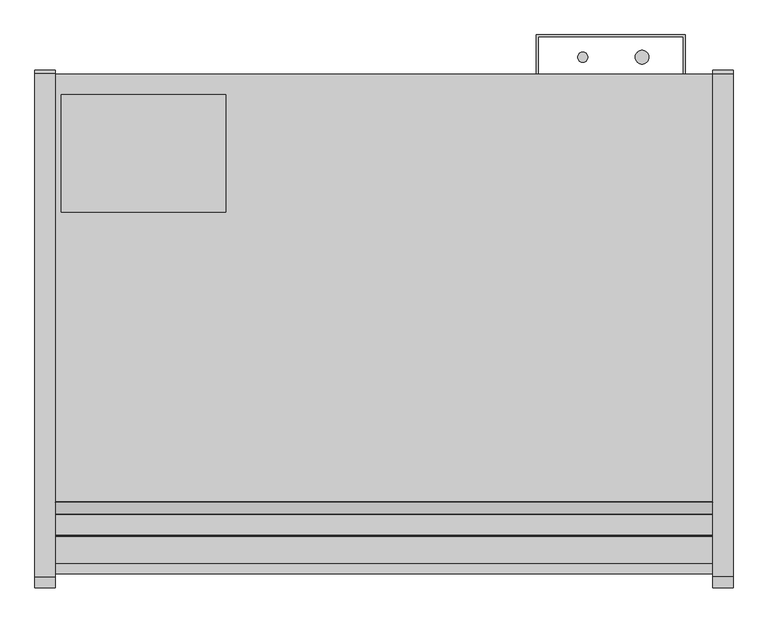
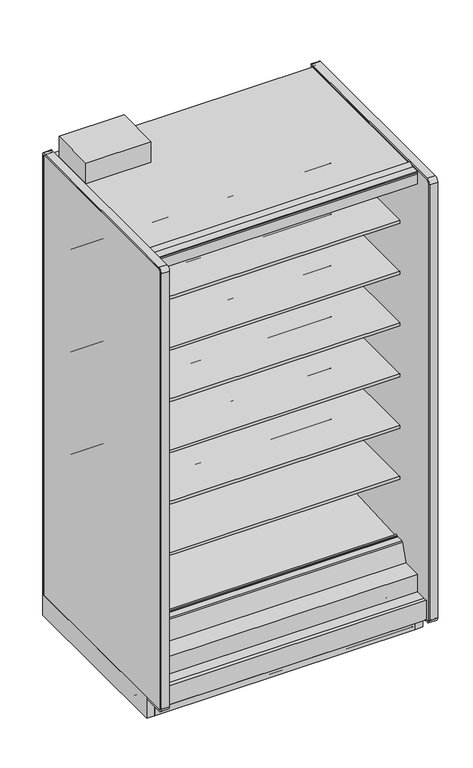
"""IFC4 building model written with IfcOpenShell, lengths in millimetres: proxy geometry."""

from ifc_helpers import new_model, si_unit, point, frame, frame_2d, origin, origin_with_axes, place, context, project, spatial, polyline, circle_curve, trimmed, segment, composite_curve, outline, extrude, source, transform, mapped, element, save
from ifc_brep_helpers import plane_surface, cylinder_surface, revolved_surface, advanced_brep


def mechanical_equipment_c68cd232(model_context):
    return source(origin(), model_context, "Body", "SolidModel", [
        extrude(outline(polyline([(1219.2, -1167.5349267), (1219.2, -1183.4099267), (0.0, -1183.4099267), (0.0, -1167.5349267), (1219.2, -1167.5349267)])), origin_with_axes(), (0.0, 0.0, 1.0), 105.16235),
        extrude(outline(polyline([(315.9000882, -386.7007273), (315.9000882, -605.1295388), (11.1115648, -605.1295388), (11.1115648, -386.7007273), (315.9000882, -386.7007273)])), frame((0.0, 0.0, 2282.825), z_axis=(0.0, 0.0, 1.0), x_axis=(1.0, 0.0, 0.0)), (0.0, 0.0, 1.0), 101.6),
        extrude(outline(composite_curve([segment(trimmed(circle_curve(frame_2d((1088.3930803, -317.2571273)), 12.7), [point((1075.6930803, -317.2571273))], [point((1101.0930803, -317.2571273))], False, "CARTESIAN"), True, "CONTINUOUS"), segment(trimmed(circle_curve(frame_2d((1088.3930803, -317.2571273)), 12.7), [point((1101.0930803, -317.2571273))], [point((1075.6930803, -317.2571273))], False, "CARTESIAN"), True, "CONTINUOUS")], self_intersect=False)), frame((0.0, 0.0, 1447.6965458), z_axis=(0.0, 0.0, 1.0), x_axis=(1.0, 0.0, 0.0)), (0.0, 0.0, 1.0), 508.0),
        extrude(outline(composite_curve([segment(trimmed(circle_curve(frame_2d((978.4004524, -317.2571273)), 9.525), [point((968.8754524, -317.2571273))], [point((987.9254524, -317.2571273))], False, "CARTESIAN"), True, "CONTINUOUS"), segment(trimmed(circle_curve(frame_2d((978.4004524, -317.2571273)), 9.525), [point((987.9254524, -317.2571273))], [point((968.8754524, -317.2571273))], False, "CARTESIAN"), True, "CONTINUOUS")], self_intersect=False)), frame((0.0, 0.0, 1447.6965458), z_axis=(0.0, 0.0, 1.0), x_axis=(1.0, 0.0, 0.0)), (0.0, 0.0, 1.0), 508.0),
        extrude(outline(composite_curve([segment(trimmed(circle_curve(frame_2d((1080.0004524, -526.8071273)), 9.525), [point((1070.4754524, -526.8071273))], [point((1089.5254524, -526.8071273))], False, "CARTESIAN"), True, "CONTINUOUS"), segment(trimmed(circle_curve(frame_2d((1080.0004524, -526.8071273)), 9.525), [point((1089.5254524, -526.8071273))], [point((1070.4754524, -526.8071273))], False, "CARTESIAN"), True, "CONTINUOUS")], self_intersect=False)), frame((0.0, 0.0, 57.8450688), z_axis=(0.0, 0.0, 1.0), x_axis=(1.0, 0.0, 0.0)), (0.0, 0.0, 1.0), 47.3172812),
        extrude(outline(composite_curve([segment(trimmed(circle_curve(frame_2d((1126.4930803, -526.8071273)), 12.7), [point((1113.7930803, -526.8071273))], [point((1139.1930803, -526.8071273))], False, "CARTESIAN"), True, "CONTINUOUS"), segment(trimmed(circle_curve(frame_2d((1126.4930803, -526.8071273)), 12.7), [point((1139.1930803, -526.8071273))], [point((1113.7930803, -526.8071273))], False, "CARTESIAN"), True, "CONTINUOUS")], self_intersect=False)), frame((0.0, 0.0, 57.8450688), z_axis=(0.0, 0.0, 1.0), x_axis=(1.0, 0.0, 0.0)), (0.0, 0.0, 1.0), 47.3172812),
        extrude(outline(composite_curve([segment(trimmed(circle_curve(frame_2d((609.6, -945.9071273)), 38.1), [point((571.5, -945.9071273))], [point((647.7, -945.9071273))], False, "CARTESIAN"), True, "CONTINUOUS"), segment(trimmed(circle_curve(frame_2d((609.6, -945.9071273)), 38.1), [point((647.7, -945.9071273))], [point((571.5, -945.9071273))], False, "CARTESIAN"), True, "CONTINUOUS")], self_intersect=False)), frame((0.0, 0.0, 57.8450688), z_axis=(0.0, 0.0, 1.0), x_axis=(1.0, 0.0, 0.0)), (0.0, 0.0, 1.0), 47.3172812),
        extrude(outline(polyline([(114.3, -411.7999572), (114.3, -462.5999572), (0.0, -462.5999572), (0.0, -411.7999572), (114.3, -411.7999572)])), frame((0.0, 0.0, 63.88735), z_axis=(0.0, 0.0, 1.0), x_axis=(1.0, 0.0, 0.0)), (0.0, 0.0, 1.0), 6.35),
        extrude(outline(polyline([(-349.0071273, 2231.5678), (-349.0071273, 105.16235), (-1256.6126273, 105.16235), (-1256.6126273, 201.2447768), (-1205.5205047, 201.2447768), (-1205.5205047, 169.3369447), (-1112.6665508, 150.0632248), (-401.0517273, 187.3573774), (-401.0517273, 2231.5678), (-349.0071273, 2231.5678)])), frame((0.0, 0.0, 0.0), z_axis=(1.0, 0.0, 0.0), x_axis=(0.0, 1.0, 0.0)), (0.0, 0.0, 1.0), 1219.2),
        advanced_brep(
        [(1219.2, -1018.871097, 105.16235), (1219.2, -1022.1071273, 101.9263197), (1219.2, -1022.1071273, 2.3876), (1219.2, -1019.7195273, 0.0), (1219.2, -982.0132273, 0.0), (1219.2, -982.0132273, 70.23735), (1219.2, -383.2457368, 70.23735), (1219.2, -383.2457368, 0.0), (1219.2, -351.3947273, 0.0), (1219.2, -349.0071273, 2.3876), (1219.2, -349.0071273, 100.830191), (1219.2, -353.3392863, 105.16235), (0.0, -1018.871097, 105.16235), (0.0, -353.3392863, 105.16235), (0.0, -349.0071273, 100.830191), (0.0, -349.0071273, 2.3876), (0.0, -351.3947273, 0.0), (0.0, -383.2457368, 0.0), (0.0, -383.2457368, 70.23735), (0.0, -982.0132273, 70.23735), (0.0, -982.0132273, 0.0), (0.0, -1019.7195273, 0.0), (0.0, -1022.1071273, 2.3876), (0.0, -1022.1071273, 101.9263197), (660.4, -945.9071273, 105.16235), (558.8, -945.9071273, 105.16235), (1155.7, -526.8071273, 105.16235), (1054.1, -526.8071273, 105.16235), (573.8650095, -982.0132273, 70.23735), (645.3349905, -982.0132273, 70.23735), (660.4, -945.9071273, 70.23735), (558.8, -945.9071273, 70.23735), (1054.1, -526.8071273, 70.23735), (1155.7, -526.8071273, 70.23735)],
        [
            (0, 1, circle_curve(frame((1219.2, -1018.871097, 101.9263197), z_axis=(1.0, 0.0, 0.0), x_axis=(0.0, 1.0, 0.0)), 3.2360303)),
            (1, 2),
            (2, 3, circle_curve(frame((1219.2, -1019.7195273, 2.3876), z_axis=(1.0, 0.0, 0.0), x_axis=(0.0, 1.0, 0.0)), 2.3876)),
            (3, 4),
            (4, 5),
            (5, 6),
            (6, 7),
            (7, 8),
            (8, 9, circle_curve(frame((1219.2, -351.3947273, 2.3876), z_axis=(1.0, 0.0, 0.0), x_axis=(0.0, 1.0, 0.0)), 2.3876)),
            (9, 10),
            (10, 11, circle_curve(frame((1219.2, -353.3392863, 100.830191), z_axis=(1.0, 0.0, 0.0), x_axis=(0.0, 1.0, 0.0)), 4.332159)),
            (11, 0),
            (12, 13),
            (13, 14, circle_curve(frame((0.0, -353.3392863, 100.830191), z_axis=(-1.0, 0.0, 0.0), x_axis=(0.0, 1.0, 0.0)), 4.332159)),
            (14, 15),
            (15, 16, circle_curve(frame((0.0, -351.3947273, 2.3876), z_axis=(-1.0, 0.0, 0.0), x_axis=(0.0, 1.0, 0.0)), 2.3876)),
            (16, 17),
            (17, 18),
            (18, 19),
            (19, 20),
            (20, 21),
            (21, 22, circle_curve(frame((0.0, -1019.7195273, 2.3876), z_axis=(-1.0, 0.0, 0.0), x_axis=(0.0, 1.0, 0.0)), 2.3876)),
            (22, 23),
            (23, 12, circle_curve(frame((0.0, -1018.871097, 101.9263197), z_axis=(-1.0, 0.0, 0.0), x_axis=(0.0, 1.0, 0.0)), 3.2360303)),
            (10, 14),
            (13, 11),
            (12, 0),
            (24, 25, circle_curve(frame((609.6, -945.9071273, 105.16235), z_axis=(0.0, 0.0, -1.0), x_axis=(1.0, 0.0, 0.0)), 50.8)),
            (25, 24, circle_curve(frame((609.6, -945.9071273, 105.16235), z_axis=(0.0, 0.0, -1.0), x_axis=(1.0, 0.0, 0.0)), 50.8)),
            (26, 27, circle_curve(frame((1104.9, -526.8071273, 105.16235), z_axis=(0.0, 0.0, -1.0), x_axis=(1.0, 0.0, 0.0)), 50.8)),
            (27, 26, circle_curve(frame((1104.9, -526.8071273, 105.16235), z_axis=(0.0, 0.0, -1.0), x_axis=(1.0, 0.0, 0.0)), 50.8)),
            (23, 1),
            (22, 2),
            (21, 3),
            (20, 4),
            (19, 28),
            (28, 29),
            (29, 5),
            (29, 30, circle_curve(frame((609.6, -945.9071273, 70.23735), z_axis=(0.0, 0.0, 1.0), x_axis=(1.0, 0.0, 0.0)), 50.8)),
            (30, 31, circle_curve(frame((609.6, -945.9071273, 70.23735), z_axis=(0.0, 0.0, 1.0), x_axis=(1.0, 0.0, 0.0)), 50.8)),
            (31, 28, circle_curve(frame((609.6, -945.9071273, 70.23735), z_axis=(0.0, 0.0, 1.0), x_axis=(1.0, 0.0, 0.0)), 50.8)),
            (18, 6),
            (32, 33, circle_curve(frame((1104.9, -526.8071273, 70.23735), z_axis=(0.0, 0.0, 1.0), x_axis=(1.0, 0.0, 0.0)), 50.8)),
            (33, 32, circle_curve(frame((1104.9, -526.8071273, 70.23735), z_axis=(0.0, 0.0, 1.0), x_axis=(1.0, 0.0, 0.0)), 50.8)),
            (17, 7),
            (16, 8),
            (15, 9),
            (28, 29, circle_curve(frame((609.6, -945.9071273, 70.23735), z_axis=(0.0, 0.0, 1.0), x_axis=(1.0, 0.0, 0.0)), 50.8)),
            (24, 30),
            (31, 25),
            (32, 27),
            (26, 33),
        ],
        [
            plane_surface(frame((1219.2, -1015.6350667, 101.9263197), z_axis=(1.0, 0.0, 0.0), x_axis=(0.0, 0.0, 1.0))),
            plane_surface(frame((0.0, -1015.6350667, 101.9263197), z_axis=(-1.0, 0.0, 0.0), x_axis=(0.0, 0.0, -1.0))),
            cylinder_surface(frame((0.0, -353.3392863, 100.830191), z_axis=(1.0, 0.0, 0.0), x_axis=(0.0, 1.0, 0.0)), 4.332159),
            plane_surface(frame((1219.2, -353.3392863, 105.16235), z_axis=(0.0, 0.0, 1.0), x_axis=(-1.0, 0.0, 0.0))),
            cylinder_surface(frame((0.0, -1018.871097, 101.9263197), z_axis=(1.0, 0.0, 0.0), x_axis=(0.0, 1.0, 0.0)), 3.2360303),
            plane_surface(frame((1219.2, -1022.1071273, 101.9263197), z_axis=(0.0, -1.0, 0.0), x_axis=(-1.0, 0.0, 0.0))),
            cylinder_surface(frame((0.0, -1019.7195273, 2.3876), z_axis=(1.0, 0.0, 0.0), x_axis=(0.0, 1.0, 0.0)), 2.3876),
            plane_surface(frame((1219.2, -1019.7195273, 0.0), z_axis=(0.0, 0.0, -1.0), x_axis=(-1.0, 0.0, 0.0))),
            plane_surface(frame((1219.2, -982.0132273, 0.0), z_axis=(0.0, 1.0, 0.0), x_axis=(-1.0, 0.0, 0.0))),
            plane_surface(frame((1219.2, -982.0132273, 70.23735), z_axis=(0.0, 0.0, -1.0), x_axis=(-1.0, 0.0, 0.0))),
            plane_surface(frame((1219.2, -383.2457368, 70.23735), z_axis=(0.0, -1.0, 0.0), x_axis=(-1.0, 0.0, 0.0))),
            plane_surface(frame((1219.2, -383.2457368, 0.0), z_axis=(0.0, 0.0, -1.0), x_axis=(-1.0, 0.0, 0.0))),
            cylinder_surface(frame((0.0, -351.3947273, 2.3876), z_axis=(1.0, 0.0, 0.0), x_axis=(0.0, 1.0, 0.0)), 2.3876),
            plane_surface(frame((660.4, -945.9071273, 70.23735), z_axis=(0.0, 0.0, 1.0), x_axis=(0.0, -1.0, 0.0))),
            revolved_surface(polyline([(660.4, -945.9071273, 105.16235), (660.4, -945.9071273, 70.23735)]), (609.6, -945.9071273, 70.23735), (0.0, 0.0, 1.0)),
            revolved_surface(polyline([(1155.7, -526.8071273, 105.16235), (1155.7, -526.8071273, 70.23735)]), (1104.9, -526.8071273, 0.0), (0.0, 0.0, 1.0)),
            plane_surface(frame((1219.2, -349.0071273, 2.3876), z_axis=(0.0, 1.0, 0.0), x_axis=(-1.0, 0.0, 0.0))),
        ],
        [
            (0, [[1, 2, 3, 4, 5, 6, 7, 8, 9, 10, 11, 12]]),
            (1, [[13, 14, 15, 16, 17, 18, 19, 20, 21, 22, 23, 24]]),
            (2, [[-11, 25, -14, 26]]),
            (3, [[-12, -26, -13, 27], [28, 29], [30, 31]]),
            (4, [[-1, -27, -24, 32]]),
            (5, [[-2, -32, -23, 33]]),
            (6, [[-3, -33, -22, 34]]),
            (7, [[-4, -34, -21, 35]]),
            (8, [[-5, -35, -20, 36, 37, 38]]),
            (9, [[-6, -38, 39, 40, 41, -36, -19, 42], [43, 44]]),
            (10, [[-7, -42, -18, 45]]),
            (11, [[-8, -45, -17, 46]]),
            (12, [[-9, -46, -16, 47]]),
            (13, [[48, -37]]),
            (14, [[49, -39, -48, -41, 50, -28]]),
            (14, [[-49, -29, -50, -40]]),
            (15, [[51, -30, 52, -43]]),
            (15, [[-51, -44, -52, -31]]),
            (16, [[-10, -47, -15, -25]]),
        ],
    ),
        extrude(outline(polyline([(892.175, -349.0071273), (892.175, -275.9821273), (1168.4, -275.9821273), (1168.4, -349.0071273), (1165.225, -349.0071273), (1165.225, -279.1571273), (895.35, -279.1571273), (895.35, -349.0071273), (892.175, -349.0071273)])), frame((0.0, 0.0, 304.927), z_axis=(0.0, 0.0, 1.0), x_axis=(1.0, 0.0, 0.0)), (0.0, 0.0, 1.0), 1523.3666145),
        extrude(outline(composite_curve([segment(polyline([(-452.3089273, 610.906076), (-470.5727913, 610.5955195)]), True, "CONTINUOUS"), segment(trimmed(circle_curve(frame_2d((-471.0046274, 635.9918483)), 25.4), [point((-470.5727913, 610.5955195))], [point((-486.9819836, 616.2463656))], False, "CARTESIAN"), True, "CONTINUOUS"), segment(polyline([(-486.9819836, 616.2463656), (-504.8340447, 630.6916311)]), True, "CONTINUOUS"), segment(trimmed(circle_curve(frame_2d((-544.7774354, 581.3279244)), 63.5), [point((-504.8340447, 630.6916311))], [point((-536.8795542, 644.3348563))], True, "CARTESIAN"), True, "CONTINUOUS"), segment(polyline([(-536.8795542, 644.3348563), (-751.3282218, 668.0319937), (-752.8169983, 671.4725458), (-1061.9089273, 671.4725458), (-1061.9089273, 685.6965458), (-452.3089273, 685.6965458), (-452.3089273, 610.906076)]), True, "CONTINUOUS")], self_intersect=False)), frame((0.0, 0.0, 0.0), z_axis=(1.0, 0.0, 0.0), x_axis=(0.0, 1.0, 0.0)), (0.0, 0.0, 1.0), 1219.2),
        extrude(outline(composite_curve([segment(polyline([(-452.3089273, 864.906076), (-470.5727913, 864.5955195)]), True, "CONTINUOUS"), segment(trimmed(circle_curve(frame_2d((-471.0046274, 889.9918483)), 25.4), [point((-470.5727913, 864.5955195))], [point((-486.9819836, 870.2463656))], False, "CARTESIAN"), True, "CONTINUOUS"), segment(polyline([(-486.9819836, 870.2463656), (-504.8340447, 884.6916311)]), True, "CONTINUOUS"), segment(trimmed(circle_curve(frame_2d((-544.7774354, 835.3279244)), 63.5), [point((-504.8340447, 884.6916311))], [point((-536.8795542, 898.3348563))], True, "CARTESIAN"), True, "CONTINUOUS"), segment(polyline([(-536.8795542, 898.3348563), (-751.3282218, 922.0319937), (-752.8169983, 925.4725458), (-1061.9089273, 925.4725458), (-1061.9089273, 939.6965458), (-452.3089273, 939.6965458), (-452.3089273, 864.906076)]), True, "CONTINUOUS")], self_intersect=False)), frame((0.0, 0.0, 0.0), z_axis=(1.0, 0.0, 0.0), x_axis=(0.0, 1.0, 0.0)), (0.0, 0.0, 1.0), 1219.2),
        extrude(outline(composite_curve([segment(polyline([(-452.3089273, 1118.906076), (-470.5727913, 1118.5955195)]), True, "CONTINUOUS"), segment(trimmed(circle_curve(frame_2d((-471.0046274, 1143.9918483)), 25.4), [point((-470.5727913, 1118.5955195))], [point((-486.9819836, 1124.2463656))], False, "CARTESIAN"), True, "CONTINUOUS"), segment(polyline([(-486.9819836, 1124.2463656), (-504.8340447, 1138.6916311)]), True, "CONTINUOUS"), segment(trimmed(circle_curve(frame_2d((-544.7774354, 1089.3279244)), 63.5), [point((-504.8340447, 1138.6916311))], [point((-536.8795542, 1152.3348563))], True, "CARTESIAN"), True, "CONTINUOUS"), segment(polyline([(-536.8795542, 1152.3348563), (-751.3282218, 1176.0319937), (-752.8169983, 1179.4725458), (-1061.9089273, 1179.4725458), (-1061.9089273, 1193.6965458), (-452.3089273, 1193.6965458), (-452.3089273, 1118.906076)]), True, "CONTINUOUS")], self_intersect=False)), frame((0.0, 0.0, 0.0), z_axis=(1.0, 0.0, 0.0), x_axis=(0.0, 1.0, 0.0)), (0.0, 0.0, 1.0), 1219.2),
        extrude(outline(composite_curve([segment(polyline([(-452.3089273, 1372.906076), (-470.5727913, 1372.5955195)]), True, "CONTINUOUS"), segment(trimmed(circle_curve(frame_2d((-471.0046274, 1397.9918483)), 25.4), [point((-470.5727913, 1372.5955195))], [point((-486.9819836, 1378.2463656))], False, "CARTESIAN"), True, "CONTINUOUS"), segment(polyline([(-486.9819836, 1378.2463656), (-504.8340447, 1392.6916311)]), True, "CONTINUOUS"), segment(trimmed(circle_curve(frame_2d((-544.7774354, 1343.3279244)), 63.5), [point((-504.8340447, 1392.6916311))], [point((-536.8795542, 1406.3348563))], True, "CARTESIAN"), True, "CONTINUOUS"), segment(polyline([(-536.8795542, 1406.3348563), (-751.3282218, 1430.0319937), (-752.8169983, 1433.4725458), (-1061.9089273, 1433.4725458), (-1061.9089273, 1447.6965458), (-452.3089273, 1447.6965458), (-452.3089273, 1372.906076)]), True, "CONTINUOUS")], self_intersect=False)), frame((0.0, 0.0, 0.0), z_axis=(1.0, 0.0, 0.0), x_axis=(0.0, 1.0, 0.0)), (0.0, 0.0, 1.0), 1219.2),
        extrude(outline(composite_curve([segment(polyline([(-452.3089273, 1626.906076), (-470.5727913, 1626.5955195)]), True, "CONTINUOUS"), segment(trimmed(circle_curve(frame_2d((-471.0046274, 1651.9918483)), 25.4), [point((-470.5727913, 1626.5955195))], [point((-486.9819836, 1632.2463656))], False, "CARTESIAN"), True, "CONTINUOUS"), segment(polyline([(-486.9819836, 1632.2463656), (-504.8340447, 1646.6916311)]), True, "CONTINUOUS"), segment(trimmed(circle_curve(frame_2d((-544.7774354, 1597.3279244)), 63.5), [point((-504.8340447, 1646.6916311))], [point((-536.8795542, 1660.3348563))], True, "CARTESIAN"), True, "CONTINUOUS"), segment(polyline([(-536.8795542, 1660.3348563), (-751.3282218, 1684.0319937), (-752.8169983, 1687.4725458), (-1061.9089273, 1687.4725458), (-1061.9089273, 1701.6965458), (-452.3089273, 1701.6965458), (-452.3089273, 1626.906076)]), True, "CONTINUOUS")], self_intersect=False)), frame((0.0, 0.0, 0.0), z_axis=(1.0, 0.0, 0.0), x_axis=(0.0, 1.0, 0.0)), (0.0, 0.0, 1.0), 1219.2),
        extrude(outline(composite_curve([segment(polyline([(-452.3089273, 1880.906076), (-470.5727913, 1880.5955195)]), True, "CONTINUOUS"), segment(trimmed(circle_curve(frame_2d((-471.0046274, 1905.9918483)), 25.4), [point((-470.5727913, 1880.5955195))], [point((-486.9819836, 1886.2463656))], False, "CARTESIAN"), True, "CONTINUOUS"), segment(polyline([(-486.9819836, 1886.2463656), (-504.8340447, 1900.6916311)]), True, "CONTINUOUS"), segment(trimmed(circle_curve(frame_2d((-544.7774354, 1851.3279244)), 63.5), [point((-504.8340447, 1900.6916311))], [point((-536.8795542, 1914.3348563))], True, "CARTESIAN"), True, "CONTINUOUS"), segment(polyline([(-536.8795542, 1914.3348563), (-751.3282218, 1938.0319937), (-752.8169983, 1941.4725458), (-1061.9089273, 1941.4725458), (-1061.9089273, 1955.6965458), (-452.3089273, 1955.6965458), (-452.3089273, 1880.906076)]), True, "CONTINUOUS")], self_intersect=False)), frame((0.0, 0.0, 0.0), z_axis=(1.0, 0.0, 0.0), x_axis=(0.0, 1.0, 0.0)), (0.0, 0.0, 1.0), 1219.2),
        advanced_brep(
        [(1219.2, -562.1054156, 392.489408), (1219.2, -565.4345004, 395.3833373), (1219.2, -1028.1778581, 371.1319845), (1219.2, -1031.8816746, 374.3516629), (1219.2, -1032.3723429, 379.9600263), (1219.2, -1039.3602618, 380.0840123), (1219.2, -1037.6796074, 360.8740328), (1219.2, -1031.0214377, 355.0861739), (1219.2, -564.4043684, 379.5405382), (1219.2, -561.4040704, 382.9438378), (0.0, -562.1054156, 392.489408), (0.0, -561.4040704, 382.9438378), (0.0, -564.4043684, 379.5405382), (0.0, -1031.0214377, 355.0861739), (0.0, -1037.6796074, 360.8740328), (0.0, -1039.3602618, 380.0840123), (0.0, -1032.4336802, 379.95466), (0.0, -1031.8816746, 374.3516629), (0.0, -1028.1778581, 371.1319845), (0.0, -565.4345004, 395.3833373)],
        [
            (0, 1, circle_curve(frame((1219.2, -565.2683338, 392.2126885), z_axis=(1.0, 0.0, 0.0), x_axis=(0.0, 1.0, 0.0)), 3.175)),
            (1, 2),
            (2, 3, circle_curve(frame((1219.2, -1028.362729, 374.6595308), z_axis=(-1.0, 0.0, 0.0), x_axis=(0.0, 1.0, 0.0)), 3.5323874)),
            (3, 4),
            (4, 5, circle_curve(frame((1219.2, -1035.9038485, 379.6510595), z_axis=(1.0, 0.0, 0.0), x_axis=(0.0, 1.0, 0.0)), 3.4834238)),
            (5, 6),
            (6, 7, circle_curve(frame((1219.2, -1031.353771, 361.4274714), z_axis=(1.0, 0.0, 0.0), x_axis=(0.0, 1.0, 0.0)), 6.35)),
            (7, 8),
            (8, 9, circle_curve(frame((1219.2, -564.5705351, 382.711187), z_axis=(1.0, 0.0, 0.0), x_axis=(0.0, 1.0, 0.0)), 3.175)),
            (9, 0),
            (10, 11),
            (11, 12, circle_curve(frame((0.0, -564.5705351, 382.711187), z_axis=(-1.0, 0.0, 0.0), x_axis=(0.0, 1.0, 0.0)), 3.175)),
            (12, 13),
            (13, 14, circle_curve(frame((0.0, -1031.353771, 361.4274714), z_axis=(-1.0, 0.0, 0.0), x_axis=(0.0, 1.0, 0.0)), 6.35)),
            (14, 15),
            (15, 16, circle_curve(frame((0.0, -1035.9038485, 379.6510595), z_axis=(-1.0, 0.0, 0.0), x_axis=(0.0, 1.0, 0.0)), 3.4834238)),
            (16, 17),
            (17, 18, circle_curve(frame((0.0, -1028.362729, 374.6595308), z_axis=(1.0, 0.0, 0.0), x_axis=(0.0, 1.0, 0.0)), 3.5323874)),
            (18, 19),
            (19, 10, circle_curve(frame((0.0, -565.2683338, 392.2126885), z_axis=(-1.0, 0.0, 0.0), x_axis=(0.0, 1.0, 0.0)), 3.175)),
            (0, 10),
            (19, 1),
            (18, 2),
            (17, 3),
            (16, 4),
            (15, 5),
            (14, 6),
            (13, 7),
            (12, 8),
            (11, 9),
        ],
        [
            plane_surface(frame((1219.2, -562.0933338, 392.2126885), z_axis=(1.0, 0.0, 0.0), x_axis=(0.0, 0.0, 1.0))),
            plane_surface(frame((0.0, -562.0933338, 392.2126885), z_axis=(-1.0, 0.0, 0.0), x_axis=(0.0, 0.0, -1.0))),
            cylinder_surface(frame((0.0, -565.2683338, 392.2126885), z_axis=(1.0, 0.0, 0.0), x_axis=(0.0, 1.0, 0.0)), 3.175),
            plane_surface(frame((1219.2, -565.4345004, 395.3833373), z_axis=(0.0, -0.05233595857633936, 0.9986295346322859), x_axis=(-1.0, 0.0, 0.0))),
            revolved_surface(polyline([(0.0, -1024.8303415999999, 374.6595308), (1219.2, -1024.8303415999999, 374.6595308)]), (0.0, -1028.362729, 374.6595308), (-1.0, 0.0, 0.0)),
            plane_surface(frame((1219.2, -1031.8816746, 374.3516629), z_axis=(0.0, 0.9961946955698885, 0.08715577157261226), x_axis=(-1.0, 0.0, 0.0))),
            cylinder_surface(frame((0.0, -1035.9038485, 379.6510595), z_axis=(1.0, 0.0, 0.0), x_axis=(0.0, 1.0, 0.0)), 3.4834238),
            plane_surface(frame((1219.2, -1039.3602618, 380.0840123), z_axis=(0.0, -0.9961947025639891, -0.08715569162966595), x_axis=(-1.0, 0.0, 0.0))),
            cylinder_surface(frame((0.0, -1031.353771, 361.4274714), z_axis=(1.0, 0.0, 0.0), x_axis=(0.0, 1.0, 0.0)), 6.35),
            plane_surface(frame((1219.2, -1031.0214377, 355.0861739), z_axis=(0.0, 0.05233595624300962, -0.9986295347545704), x_axis=(-1.0, 0.0, 0.0))),
            cylinder_surface(frame((0.0, -564.5705351, 382.711187), z_axis=(1.0, 0.0, 0.0), x_axis=(0.0, 1.0, 0.0)), 3.175),
            plane_surface(frame((1219.2, -561.4040704, 382.9438378), z_axis=(0.0, 0.9973117114183065, 0.07327585050948633), x_axis=(-1.0, 0.0, 0.0))),
        ],
        [
            (0, [[1, 2, 3, 4, 5, 6, 7, 8, 9, 10]]),
            (1, [[11, 12, 13, 14, 15, 16, 17, 18, 19, 20]]),
            (2, [[-1, 21, -20, 22]]),
            (3, [[-2, -22, -19, 23]]),
            (4, [[-3, -23, -18, 24]]),
            (5, [[-4, -24, -17, 25]]),
            (6, [[-5, -25, -16, 26]]),
            (7, [[-6, -26, -15, 27]]),
            (8, [[-7, -27, -14, 28]]),
            (9, [[-8, -28, -13, 29]]),
            (10, [[-9, -29, -12, 30]]),
            (11, [[-10, -30, -11, -21]]),
        ],
    ),
        extrude(outline(composite_curve([segment(polyline([(-452.3089273, 2205.7106), (-1055.5314174, 2205.7106), (-1076.6649541, 2210.5896614), (-1079.1443307, 2198.9251118)]), True, "CONTINUOUS"), segment(trimmed(circle_curve(frame_2d((-1080.6350276, 2199.2419692)), 1.524), [point((-1079.1443307, 2198.9251118))], [point((-1080.9518851, 2197.7512722))], False, "CARTESIAN"), True, "CONTINUOUS"), segment(polyline([(-1080.9518851, 2197.7512722), (-1146.9989273, 2211.7900045), (-1146.9989273, 2210.4040825)]), True, "CONTINUOUS"), segment(trimmed(circle_curve(frame_2d((-1149.3773588, 2210.6131219)), 2.3876), [point((-1146.9989273, 2210.4040825))], [point((-1149.3773097, 2208.2255219))], False, "CARTESIAN"), True, "CONTINUOUS"), segment(polyline([(-1149.3773097, 2208.2255219), (-1160.0080838, 2208.2253035), (-1160.0080838, 2223.5012119), (-1205.5205273, 2223.5012119), (-1205.5205273, 2282.0376)]), True, "CONTINUOUS"), segment(trimmed(circle_curve(frame_2d((-1204.7331273, 2282.0376)), 0.7874), [point((-1205.5205273, 2282.0376))], [point((-1204.7331273, 2282.825))], False, "CARTESIAN"), True, "CONTINUOUS"), segment(polyline([(-1204.7331273, 2282.825), (-349.0071273, 2282.825), (-349.0071273, 2231.5678), (-452.3089273, 2231.5678), (-452.3089273, 2205.7106)]), True, "CONTINUOUS")], self_intersect=False)), frame((0.0, 0.0, 0.0), z_axis=(1.0, 0.0, 0.0), x_axis=(0.0, 1.0, 0.0)), (0.0, 0.0, 1.0), 1219.2),
        extrude(outline(composite_curve([segment(polyline([(-1263.5976273, 105.16235), (-1274.6466273, 105.16235)]), True, "CONTINUOUS"), segment(trimmed(circle_curve(frame_2d((-1274.6466273, 106.81335)), 1.651), [point((-1274.6466273, 105.16235))], [point((-1276.2976273, 106.81335))], False, "CARTESIAN"), True, "CONTINUOUS"), segment(polyline([(-1276.2976273, 106.81335), (-1276.2976273, 201.2447768), (-1256.6126273, 201.2447768), (-1256.6126273, 106.62285), (-1263.5976273, 106.62285), (-1263.5976273, 105.16235)]), True, "CONTINUOUS")], self_intersect=False)), frame((0.0, 0.0, 0.0), z_axis=(1.0, 0.0, 0.0), x_axis=(0.0, 1.0, 0.0)), (0.0, 0.0, 1.0), 1219.2),
        extrude(outline(composite_curve([segment(polyline([(-1205.5205047, 288.3361558), (-1111.5273572, 288.3361558), (-1083.6940162, 372.3488205)]), True, "CONTINUOUS"), segment(trimmed(circle_curve(frame_2d((-1077.6662092, 370.3518119)), 6.35), [point((-1083.6940162, 372.3488205))], [point((-1077.6662092, 376.7018119))], False, "CARTESIAN"), True, "CONTINUOUS"), segment(polyline([(-1077.6662092, 376.7018119), (-1043.9140632, 376.7018119)]), True, "CONTINUOUS"), segment(trimmed(circle_curve(frame_2d((-1043.9140632, 372.471676)), 4.2301359), [point((-1043.9140632, 376.7018119))], [point((-1039.6839273, 372.471676))], False, "CARTESIAN"), True, "CONTINUOUS"), segment(polyline([(-1039.6839273, 372.471676), (-1039.6839273, 354.632192), (-560.553361, 379.742361), (-560.9721481, 391.7348557)]), True, "CONTINUOUS"), segment(trimmed(circle_curve(frame_2d((-556.4536725, 391.8926443)), 4.5212298), [point((-560.9721481, 391.7348557))], [point((-556.6114611, 396.41112))], False, "CARTESIAN"), True, "CONTINUOUS"), segment(polyline([(-556.6114611, 396.41112), (-470.3276537, 399.4242169)]), True, "CONTINUOUS"), segment(trimmed(circle_curve(frame_2d((-470.3772309, 400.8439205)), 1.420569), [point((-470.3276537, 399.4242169))], [point((-468.9575273, 400.8934976))], True, "CARTESIAN"), True, "CONTINUOUS"), segment(polyline([(-468.9575273, 400.8934976), (-469.2184151, 408.3643476)]), True, "CONTINUOUS"), segment(trimmed(circle_curve(frame_2d((-467.1682375, 408.4359413)), 2.0514273), [point((-469.2184151, 408.3643476))], [point((-467.2398313, 410.486119))], False, "CARTESIAN"), True, "CONTINUOUS"), segment(polyline([(-467.2398313, 410.486119), (-452.3089273, 411.0075176), (-452.3089273, 263.5334166), (-401.0517273, 263.5334166), (-401.0517273, 187.3573774), (-1112.6665508, 150.0632248), (-1205.5205047, 169.3369447), (-1205.5205047, 288.3361558)]), True, "CONTINUOUS")], self_intersect=False)), frame((0.0, 0.0, 0.0), z_axis=(1.0, 0.0, 0.0), x_axis=(0.0, 1.0, 0.0)), (0.0, 0.0, 1.0), 1219.2),
        extrude(outline(polyline([(1219.2, -401.0517273), (1219.2, -452.3089273), (0.0, -452.3089273), (0.0, -401.0517273), (1219.2, -401.0517273)])), frame((0.0, 0.0, 263.5334166), z_axis=(0.0, 0.0, 1.0), x_axis=(1.0, 0.0, 0.0)), (0.0, 0.0, 1.0), 1968.0343834),
        extrude(outline(composite_curve([segment(polyline([(-996.7011791, 30.0863), (-1022.1071273, 30.150134), (-1022.1071273, 1.512412), (-1162.480805, 1.5240398)]), True, "CONTINUOUS"), segment(trimmed(circle_curve(frame_2d((-1162.4803863, 6.5785802)), 5.0545404), [point((-1162.480805, 1.5240398))], [point((-1167.5349267, 6.5785802))], False, "CARTESIAN"), True, "CONTINUOUS"), segment(polyline([(-1167.5349267, 6.5785802), (-1167.5349267, 105.16235), (-996.7011791, 105.16235), (-996.7011791, 30.0863)]), True, "CONTINUOUS")], self_intersect=False)), frame((0.0, 0.0, 0.0), z_axis=(1.0, 0.0, 0.0), x_axis=(0.0, 1.0, 0.0)), (0.0, 0.0, 1.0), 1219.2),
        extrude(outline(composite_curve([segment(polyline([(-981.2258273, 0.0), (-1016.1381273, 0.0)]), True, "CONTINUOUS"), segment(trimmed(circle_curve(frame_2d((-1016.1381273, 5.1562)), 5.1562), [point((-1016.1381273, 0.0))], [point((-1021.2943273, 5.1562))], False, "CARTESIAN"), True, "CONTINUOUS"), segment(polyline([(-1021.2943273, 5.1562), (-1021.2943273, 24.892), (-1018.5257273, 24.892), (-1018.5257273, 5.1562)]), True, "CONTINUOUS"), segment(trimmed(circle_curve(frame_2d((-1016.1381273, 5.1562)), 2.3876), [point((-1018.5257273, 5.1562))], [point((-1016.1381273, 2.7686))], True, "CARTESIAN"), True, "CONTINUOUS"), segment(polyline([(-1016.1381273, 2.7686), (-981.2258273, 2.7686)]), True, "CONTINUOUS"), segment(trimmed(circle_curve(frame_2d((-981.2258273, 5.1562)), 2.3876), [point((-981.2258273, 2.7686))], [point((-978.8382273, 5.1562))], True, "CARTESIAN"), True, "CONTINUOUS"), segment(polyline([(-978.8382273, 5.1562), (-978.8382273, 20.5359)]), True, "CONTINUOUS"), segment(trimmed(circle_curve(frame_2d((-973.6820273, 20.5359)), 5.1562), [point((-978.8382273, 20.5359))], [point((-973.6820273, 25.6921))], False, "CARTESIAN"), True, "CONTINUOUS"), segment(polyline([(-973.6820273, 25.6921), (-962.4552273, 25.6921)]), True, "CONTINUOUS"), segment(trimmed(circle_curve(frame_2d((-962.4552273, 20.5359)), 5.1562), [point((-962.4552273, 25.6921))], [point((-957.2990273, 20.5359))], False, "CARTESIAN"), True, "CONTINUOUS"), segment(polyline([(-957.2990273, 20.5359), (-957.2990273, 5.1054), (-960.0676273, 5.1054), (-960.0676273, 20.5359)]), True, "CONTINUOUS"), segment(trimmed(circle_curve(frame_2d((-962.4552273, 20.5359)), 2.3876), [point((-960.0676273, 20.5359))], [point((-962.4552273, 22.9235))], True, "CARTESIAN"), True, "CONTINUOUS"), segment(polyline([(-962.4552273, 22.9235), (-973.6820273, 22.9235)]), True, "CONTINUOUS"), segment(trimmed(circle_curve(frame_2d((-973.6820273, 20.5359)), 2.3876), [point((-973.6820273, 22.9235))], [point((-976.0696273, 20.5359))], True, "CARTESIAN"), True, "CONTINUOUS"), segment(polyline([(-976.0696273, 20.5359), (-976.0696273, 5.1562)]), True, "CONTINUOUS"), segment(trimmed(circle_curve(frame_2d((-981.2258273, 5.1562)), 5.1562), [point((-976.0696273, 5.1562))], [point((-981.2258273, 0.0))], False, "CARTESIAN"), True, "CONTINUOUS")], self_intersect=False)), frame((0.0, 0.0, 0.0), z_axis=(1.0, 0.0, 0.0), x_axis=(0.0, 1.0, 0.0)), (0.0, 0.0, 1.0), 1219.2),
        extrude(outline(composite_curve([segment(trimmed(circle_curve(frame_2d((-389.0756273, 5.1562)), 5.1562), [point((-389.0756273, 0.0))], [point((-394.2318273, 5.1562))], False, "CARTESIAN"), True, "CONTINUOUS"), segment(polyline([(-394.2318273, 5.1562), (-394.2318273, 20.5359)]), True, "CONTINUOUS"), segment(trimmed(circle_curve(frame_2d((-396.6194273, 20.5359)), 2.3876), [point((-394.2318273, 20.5359))], [point((-396.6194273, 22.9235))], True, "CARTESIAN"), True, "CONTINUOUS"), segment(polyline([(-396.6194273, 22.9235), (-407.8462273, 22.9235)]), True, "CONTINUOUS"), segment(trimmed(circle_curve(frame_2d((-407.8462273, 20.5359)), 2.3876), [point((-407.8462273, 22.9235))], [point((-410.2338273, 20.5359))], True, "CARTESIAN"), True, "CONTINUOUS"), segment(polyline([(-410.2338273, 20.5359), (-410.2338273, 5.1054), (-413.0024273, 5.1054), (-413.0024273, 20.5359)]), True, "CONTINUOUS"), segment(trimmed(circle_curve(frame_2d((-407.8462273, 20.5359)), 5.1562), [point((-413.0024273, 20.5359))], [point((-407.8462273, 25.6921))], False, "CARTESIAN"), True, "CONTINUOUS"), segment(polyline([(-407.8462273, 25.6921), (-396.6194273, 25.6921)]), True, "CONTINUOUS"), segment(trimmed(circle_curve(frame_2d((-396.6194273, 20.5359)), 5.1562), [point((-396.6194273, 25.6921))], [point((-391.4632273, 20.5359))], False, "CARTESIAN"), True, "CONTINUOUS"), segment(polyline([(-391.4632273, 20.5359), (-391.4632273, 5.1562)]), True, "CONTINUOUS"), segment(trimmed(circle_curve(frame_2d((-389.0756273, 5.1562)), 2.3876), [point((-391.4632273, 5.1562))], [point((-389.0756273, 2.7686))], True, "CARTESIAN"), True, "CONTINUOUS"), segment(polyline([(-389.0756273, 2.7686), (-354.1633273, 2.7686)]), True, "CONTINUOUS"), segment(trimmed(circle_curve(frame_2d((-354.1633273, 5.1562)), 2.3876), [point((-354.1633273, 2.7686))], [point((-351.7757273, 5.1562))], True, "CARTESIAN"), True, "CONTINUOUS"), segment(polyline([(-351.7757273, 5.1562), (-351.7757273, 24.892), (-349.0071273, 24.892), (-349.0071273, 5.1562)]), True, "CONTINUOUS"), segment(trimmed(circle_curve(frame_2d((-354.1633273, 5.1562)), 5.1562), [point((-349.0071273, 5.1562))], [point((-354.1633273, 0.0))], False, "CARTESIAN"), True, "CONTINUOUS"), segment(polyline([(-354.1633273, 0.0), (-389.0756273, 0.0)]), True, "CONTINUOUS")], self_intersect=False)), frame((0.0, 0.0, 0.0), z_axis=(1.0, 0.0, 0.0), x_axis=(0.0, 1.0, 0.0)), (0.0, 0.0, 1.0), 1219.2),
        extrude(outline(composite_curve([segment(polyline([(-1144.001082, 2296.5368641), (-1143.416882, 2295.525), (-1164.9600823, 2283.0870275)]), True, "CONTINUOUS"), segment(trimmed(circle_curve(frame_2d((-1165.9379823, 2284.7808)), 1.9558), [point((-1164.9600823, 2283.0870275))], [point((-1165.9379823, 2282.825))], False, "CARTESIAN"), True, "CONTINUOUS"), segment(polyline([(-1165.9379823, 2282.825), (-1204.7331273, 2282.825)]), True, "CONTINUOUS"), segment(trimmed(circle_curve(frame_2d((-1204.7331273, 2282.0376)), 0.7874), [point((-1204.7331273, 2282.825))], [point((-1205.5205273, 2282.0376))], True, "CARTESIAN"), True, "CONTINUOUS"), segment(polyline([(-1205.5205273, 2282.0376), (-1205.5205273, 2273.7945109), (-1206.6889273, 2273.7945109), (-1206.6889273, 2282.0376)]), True, "CONTINUOUS"), segment(trimmed(circle_curve(frame_2d((-1204.7331273, 2282.0376)), 1.9558), [point((-1206.6889273, 2282.0376))], [point((-1204.7331273, 2283.9934))], False, "CARTESIAN"), True, "CONTINUOUS"), segment(polyline([(-1204.7331273, 2283.9934), (-1166.4578095, 2283.9934)]), True, "CONTINUOUS"), segment(trimmed(circle_curve(frame_2d((-1166.4578095, 2286.7208214)), 2.7274214), [point((-1166.4578095, 2283.9934))], [point((-1165.0940988, 2284.3588052))], True, "CARTESIAN"), True, "CONTINUOUS"), segment(polyline([(-1165.0940988, 2284.3588052), (-1144.001082, 2296.5368641)]), True, "CONTINUOUS")], self_intersect=False)), frame((0.0, 0.0, 0.0), z_axis=(1.0, 0.0, 0.0), x_axis=(0.0, 1.0, 0.0)), (0.0, 0.0, 1.0), 1219.2),
        extrude(outline(polyline([(1257.3, -341.3672835), (1257.3, -1183.4099267), (1219.2, -1183.4099267), (1219.2, -341.3672835), (1257.3, -341.3672835)])), origin_with_axes(), (0.0, 0.0, 1.0), 105.16235),
        extrude(outline(composite_curve([segment(trimmed(circle_curve(frame_2d((-1282.3671768, 117.86235)), 12.7), [point((-1295.0671768, 117.86235))], [point((-1282.3671768, 105.16235))], True, "CARTESIAN"), True, "CONTINUOUS"), segment(polyline([(-1282.3671768, 105.16235), (-1183.4099267, 105.16235), (-1183.4099267, 97.5225063), (-1282.3671768, 97.5225063)]), True, "CONTINUOUS"), segment(trimmed(circle_curve(frame_2d((-1282.3671768, 117.86235)), 20.3398438), [point((-1282.3671768, 97.5225063))], [point((-1302.7070205, 117.86235))], False, "CARTESIAN"), True, "CONTINUOUS"), segment(polyline([(-1302.7070205, 117.86235), (-1302.7070205, 2276.475)]), True, "CONTINUOUS"), segment(trimmed(circle_curve(frame_2d((-1282.3671768, 2276.475)), 20.3398437), [point((-1302.7070205, 2276.475))], [point((-1282.3671768, 2296.8148438))], False, "CARTESIAN"), True, "CONTINUOUS"), segment(polyline([(-1282.3671768, 2296.8148438), (-347.7172835, 2296.8148438)]), True, "CONTINUOUS"), segment(trimmed(circle_curve(frame_2d((-347.7172835, 2290.4648438)), 6.35), [point((-347.7172835, 2296.8148438))], [point((-341.3672835, 2290.4648438))], False, "CARTESIAN"), True, "CONTINUOUS"), segment(polyline([(-341.3672835, 2290.4648438), (-341.3672835, 105.16235), (-349.0071273, 105.16235), (-349.0071273, 2282.825)]), True, "CONTINUOUS"), segment(trimmed(circle_curve(frame_2d((-355.3571273, 2282.825)), 6.35), [point((-349.0071273, 2282.825))], [point((-355.3571273, 2289.175))], True, "CARTESIAN"), True, "CONTINUOUS"), segment(polyline([(-355.3571273, 2289.175), (-1282.3671768, 2289.175)]), True, "CONTINUOUS"), segment(trimmed(circle_curve(frame_2d((-1282.3671768, 2276.475)), 12.7), [point((-1282.3671768, 2289.175))], [point((-1295.0671768, 2276.475))], True, "CARTESIAN"), True, "CONTINUOUS"), segment(polyline([(-1295.0671768, 2276.475), (-1295.0671768, 117.86235)]), True, "CONTINUOUS")], self_intersect=False)), frame((1219.2, 0.0, 0.0), z_axis=(1.0, 0.0, 0.0), x_axis=(0.0, 1.0, 0.0)), (0.0, 0.0, 1.0), 38.1),
        extrude(outline(composite_curve([segment(polyline([(-1282.3671768, 2289.175), (-355.3571273, 2289.175)]), True, "CONTINUOUS"), segment(trimmed(circle_curve(frame_2d((-355.3571273, 2282.825)), 6.35), [point((-355.3571273, 2289.175))], [point((-349.0071273, 2282.825))], False, "CARTESIAN"), True, "CONTINUOUS"), segment(polyline([(-349.0071273, 2282.825), (-349.0071273, 105.16235), (-1282.3671768, 105.16235)]), True, "CONTINUOUS"), segment(trimmed(circle_curve(frame_2d((-1282.3671768, 117.86235)), 12.7), [point((-1282.3671768, 105.16235))], [point((-1295.0671768, 117.86235))], False, "CARTESIAN"), True, "CONTINUOUS"), segment(polyline([(-1295.0671768, 117.86235), (-1295.0671768, 2276.475)]), True, "CONTINUOUS"), segment(trimmed(circle_curve(frame_2d((-1282.3671768, 2276.475)), 12.7), [point((-1295.0671768, 2276.475))], [point((-1282.3671768, 2289.175))], False, "CARTESIAN"), True, "CONTINUOUS")], self_intersect=False)), frame((1219.2, 0.0, 0.0), z_axis=(1.0, 0.0, 0.0), x_axis=(0.0, 1.0, 0.0)), (0.0, 0.0, 1.0), 38.1),
        extrude(outline(polyline([(0.0, -341.3672835), (0.0, -1183.4099267), (-38.1, -1183.4099267), (-38.1, -341.3672835), (0.0, -341.3672835)])), origin_with_axes(), (0.0, 0.0, 1.0), 105.16235),
        extrude(outline(composite_curve([segment(trimmed(circle_curve(frame_2d((-1282.3671768, 2276.475)), 12.7), [point((-1282.3671768, 2289.175))], [point((-1295.0671768, 2276.475))], True, "CARTESIAN"), True, "CONTINUOUS"), segment(polyline([(-1295.0671768, 2276.475), (-1295.0671768, 117.86235)]), True, "CONTINUOUS"), segment(trimmed(circle_curve(frame_2d((-1282.3671768, 117.86235)), 12.7), [point((-1295.0671768, 117.86235))], [point((-1282.3671768, 105.16235))], True, "CARTESIAN"), True, "CONTINUOUS"), segment(polyline([(-1282.3671768, 105.16235), (-1183.4099267, 105.16235), (-1183.4099267, 97.5225063), (-1282.3671768, 97.5225063)]), True, "CONTINUOUS"), segment(trimmed(circle_curve(frame_2d((-1282.3671768, 117.86235)), 20.3398438), [point((-1282.3671768, 97.5225063))], [point((-1302.7070205, 117.86235))], False, "CARTESIAN"), True, "CONTINUOUS"), segment(polyline([(-1302.7070205, 117.86235), (-1302.7070205, 2276.475)]), True, "CONTINUOUS"), segment(trimmed(circle_curve(frame_2d((-1282.3671768, 2276.475)), 20.3398437), [point((-1302.7070205, 2276.475))], [point((-1282.3671768, 2296.8148438))], False, "CARTESIAN"), True, "CONTINUOUS"), segment(polyline([(-1282.3671768, 2296.8148438), (-347.7172835, 2296.8148438)]), True, "CONTINUOUS"), segment(trimmed(circle_curve(frame_2d((-347.7172835, 2290.4648438)), 6.35), [point((-347.7172835, 2296.8148438))], [point((-341.3672835, 2290.4648438))], False, "CARTESIAN"), True, "CONTINUOUS"), segment(polyline([(-341.3672835, 2290.4648438), (-341.3672835, 105.16235), (-349.0071273, 105.16235), (-349.0071273, 2282.825)]), True, "CONTINUOUS"), segment(trimmed(circle_curve(frame_2d((-355.3571273, 2282.825)), 6.35), [point((-349.0071273, 2282.825))], [point((-355.3571273, 2289.175))], True, "CARTESIAN"), True, "CONTINUOUS"), segment(polyline([(-355.3571273, 2289.175), (-1282.3671768, 2289.175)]), True, "CONTINUOUS")], self_intersect=False)), frame((-38.1, 0.0, 0.0), z_axis=(1.0, 0.0, 0.0), x_axis=(0.0, 1.0, 0.0)), (0.0, 0.0, 1.0), 38.1),
        extrude(outline(composite_curve([segment(polyline([(-1282.3671768, 2289.175), (-355.3571273, 2289.175)]), True, "CONTINUOUS"), segment(trimmed(circle_curve(frame_2d((-355.3571273, 2282.825)), 6.35), [point((-355.3571273, 2289.175))], [point((-349.0071273, 2282.825))], False, "CARTESIAN"), True, "CONTINUOUS"), segment(polyline([(-349.0071273, 2282.825), (-349.0071273, 105.16235), (-1282.3671768, 105.16235)]), True, "CONTINUOUS"), segment(trimmed(circle_curve(frame_2d((-1282.3671768, 117.86235)), 12.7), [point((-1282.3671768, 105.16235))], [point((-1295.0671768, 117.86235))], False, "CARTESIAN"), True, "CONTINUOUS"), segment(polyline([(-1295.0671768, 117.86235), (-1295.0671768, 2276.475)]), True, "CONTINUOUS"), segment(trimmed(circle_curve(frame_2d((-1282.3671768, 2276.475)), 12.7), [point((-1295.0671768, 2276.475))], [point((-1282.3671768, 2289.175))], False, "CARTESIAN"), True, "CONTINUOUS")], self_intersect=False)), frame((-38.1, 0.0, 0.0), z_axis=(1.0, 0.0, 0.0), x_axis=(0.0, 1.0, 0.0)), (0.0, 0.0, 1.0), 38.1),
    ])


if __name__ == "__main__":
    model = new_model("IFC4")
    model_context = context("Model", 3, world=origin())
    ifc_project = project(units=[si_unit("LENGTHUNIT", "METRE", prefix="MILLI")], contexts=[model_context])
    site = spatial("IfcSite", under=ifc_project)
    building = spatial("IfcBuilding", under=site)
    placement = place(None, origin())
    mechanical_equipment_shape = mechanical_equipment_c68cd232(model_context)
    element("IfcBuildingElementProxy", 1, Name="Mechanical Equipment", at=placement, inside=building, context=model_context, shape_type="MappedRepresentation", body=[
        mapped(mechanical_equipment_shape, transform((0.0, 0.0, 0.0), x_axis=(1.0, 0.0, 0.0), y_axis=(0.0, 1.0, 0.0), z_axis=(0.0, 0.0, 1.0))),
    ])
    save(model, "model.ifc")
